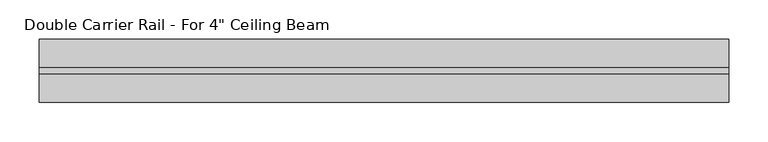
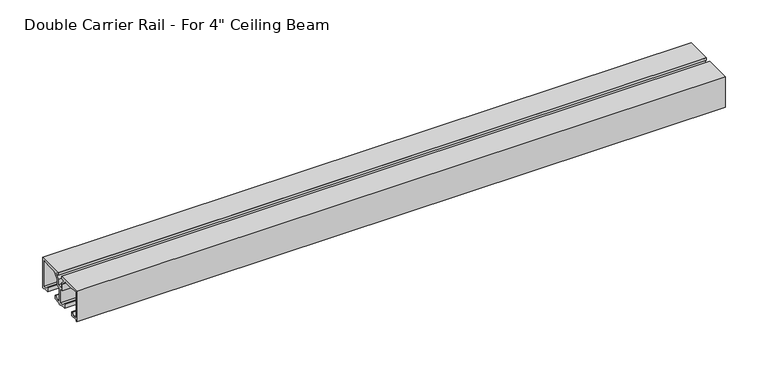
"""IFC4 building model written with IfcOpenShell, lengths in millimetres: proxy geometry."""

from ifc_helpers import new_model, si_unit, point, frame, frame_2d, origin, place, context, project, spatial, polyline, circle_curve, trimmed, segment, composite_curve, outline, extrude, source, transform, mapped, element, save


def proxy_5c787cec(model_context):
    return source(origin(), model_context, "Body", "SweptSolid", [
        extrude(outline(composite_curve([segment(polyline([(39.9999846, 217.65), (39.9999846, 174.1), (37.9999775, 174.1), (37.9999775, 175.8499993), (27.9999813, 175.8499993), (27.9999813, 181.4999971), (28.9999809, 181.4999971), (32.6499795, 177.8499986), (37.9999775, 177.8499986), (37.9999775, 215.7153485), (25.9926396, 214.146), (13.0784259, 214.146), (6.1999994, 207.2675709), (6.1999994, 198.120954), (0.9999996, 198.120954), (0.9999996, 177.8499986), (6.3499897, 177.8499986), (9.9999882, 181.4999971), (10.9999879, 181.4999971), (10.9999879, 175.8499993), (0.9999917, 175.8499993), (0.9999917, 174.1), (-0.9999917, 174.1), (-0.9999917, 175.8499993), (-10.9999881, 175.8499993), (-10.9999881, 181.4999971), (-9.9999884, 181.4999971), (-6.3499898, 177.8499986), (-0.9999996, 177.8499986), (-0.9999996, 198.120954), (-6.1999917, 198.120954), (-6.1999917, 207.2675709), (-13.0784182, 214.146), (-25.9926394, 214.146), (-37.9999929, 215.7153496), (-37.9999929, 177.8499986), (-32.6499949, 177.8499986), (-28.9999963, 181.4999971), (-27.9999967, 181.4999971), (-27.9999967, 175.8499993), (-37.9999929, 175.8499993), (-37.9999929, 174.1), (-39.9999921, 174.1), (-39.9999921, 217.65), (-4.1999993, 217.65), (-4.1999993, 214.146), (-7.8357787, 214.146)]), True, "CONTINUOUS"), segment(trimmed(circle_curve(frame_2d((-7.8357787, 213.146)), 1.0), [point((-7.8357787, 214.146))], [point((-8.5428855, 212.4388932))], True, "CARTESIAN"), True, "CONTINUOUS"), segment(polyline([(-8.5428855, 212.4388932), (-4.1999917, 208.0959994), (-4.1999917, 200.1209551), (4.1999994, 200.1209551), (4.1999994, 208.0959994), (8.5428932, 212.4388932)]), True, "CONTINUOUS"), segment(trimmed(circle_curve(frame_2d((7.8357864, 213.146)), 1.0), [point((8.5428932, 212.4388932))], [point((7.8357864, 214.146))], True, "CARTESIAN"), True, "CONTINUOUS"), segment(polyline([(7.8357864, 214.146), (4.1999993, 214.146), (4.1999993, 217.65), (39.9999846, 217.65)]), True, "CONTINUOUS")], self_intersect=False)), frame((0.0, 0.0, 0.0), z_axis=(1.0, 0.0, 0.0), x_axis=(0.0, 1.0, 0.0)), (0.0, 0.0, 1.0), 876.3),
    ])


if __name__ == "__main__":
    model = new_model("IFC4")
    model_context = context("Model", 3, world=origin())
    ifc_project = project(units=[si_unit("LENGTHUNIT", "METRE", prefix="MILLI")], contexts=[model_context])
    site = spatial("IfcSite", under=ifc_project)
    building = spatial("IfcBuilding", under=site)
    placement = place(None, origin())
    proxy_shape = proxy_5c787cec(model_context)
    element("IfcBuildingElementProxy", 1, Name="Double Carrier Rail - For 4\" Ceiling Beam", ObjectType="Double Carrier Rail - For 4\" Ceiling Beam", at=placement, inside=building, context=model_context, shape_type="MappedRepresentation", body=[
        mapped(proxy_shape, transform((0.0, 0.0, 0.0), x_axis=(1.0, 0.0, 0.0), y_axis=(0.0, 1.0, 0.0), z_axis=(0.0, 0.0, 1.0))),
    ])
    save(model, "model.ifc")
